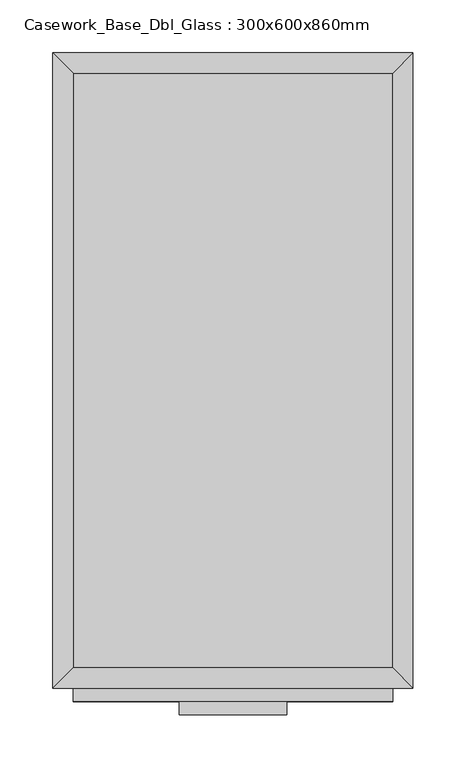
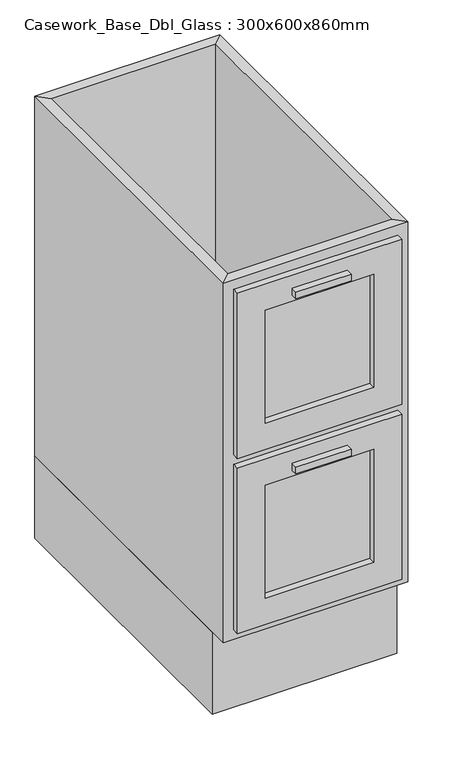
"""IFC4 building model written with IfcOpenShell, lengths in millimetres: furniture geometry, Casework_Base_Dbl_Glass : 300x600x860mm."""

import ifcopenshell
import ifcopenshell.guid

model = None  # the IFC model being written
_history = None  # IfcOwnerHistory: only IFC2X3 demands one
_inside = {}  # id of a spatial element -> (the spatial element, [elements in it])
_under = {}  # id of a project, library or spatial element -> (it, [spatial elements below it])
_declared = {}  # id of a project -> (the project, [libraries it declares])
_typed = {}  # id of a type object -> (the type object, [elements of that type])
_made_of = {}  # id of a material, layer set ... -> (it, [elements and type objects made of it])


def new_model(schema):
    """Start an empty IFC model of exactly this schema.

    Asked for "IFC4X3", IfcOpenShell would pick the latest addendum, in which some entities
    have other attributes; the version numbers below select the first issue.
    IFC2X3 requires an IfcOwnerHistory on every rooted entity: one is made here for all.
    """
    global model, _history
    if schema == "IFC4X3":
        model = ifcopenshell.file(schema_version=(4, 3, 0, 0))
    else:
        model = ifcopenshell.file(schema=schema)
    _inside.clear()
    _under.clear()
    _declared.clear()
    _typed.clear()
    _made_of.clear()
    _history = None
    if model.schema == "IFC2X3":
        org = make("IfcOrganization", Name="unknown")
        user = make(
            "IfcPersonAndOrganization",
            ThePerson=make("IfcPerson", FamilyName="unknown"),
            TheOrganization=org,
        )
        app = make(
            "IfcApplication",
            ApplicationDeveloper=org,
            Version="unknown",
            ApplicationFullName="unknown",
            ApplicationIdentifier="unknown",
        )
        _history = make(
            "IfcOwnerHistory",
            OwningUser=user,
            OwningApplication=app,
            ChangeAction="ADDED",
            CreationDate=0,
        )
    return model


def make(cls, **values):
    """One entity of the class cls with the attributes given. An attribute that is None is left unset."""
    return model.create_entity(
        cls, **{name: value for name, value in values.items() if value is not None}
    )


def rooted(cls, **values):
    """An entity with a GlobalId (a new one), such as an element, a storey or a relation."""
    return make(cls, GlobalId=ifcopenshell.guid.new(), OwnerHistory=_history, **values)


def si_unit(unit_type, name, prefix=None):
    """IfcSIUnit, for example si_unit("LENGTHUNIT", "METRE", prefix="MILLI")."""
    return make("IfcSIUnit", UnitType=unit_type, Prefix=prefix, Name=name)


def assignment(units):
    """IfcUnitAssignment: the units of a project."""
    return None if units is None else make("IfcUnitAssignment", Units=units)


def point(xyz):
    """IfcCartesianPoint."""
    return None if xyz is None else make("IfcCartesianPoint", Coordinates=xyz)


def direction(xyz):
    """IfcDirection."""
    return None if xyz is None else make("IfcDirection", DirectionRatios=xyz)


def frame(location, z_axis=None, x_axis=None):
    """IfcAxis2Placement3D, a coordinate frame: its origin and axes. An axis left out is left unset."""
    return make(
        "IfcAxis2Placement3D",
        Location=point(location),
        Axis=direction(z_axis),
        RefDirection=direction(x_axis),
    )


def origin():
    """The frame at (0, 0, 0) with its axes left unset."""
    return frame((0.0, 0.0, 0.0))


def origin_with_axes():
    """The frame at (0, 0, 0) with the z axis (0, 0, 1) and the x axis (1, 0, 0) written out."""
    return frame((0.0, 0.0, 0.0), z_axis=(0.0, 0.0, 1.0), x_axis=(1.0, 0.0, 0.0))


def place(relative_to, where):
    """IfcLocalPlacement: puts the frame where relative to a parent placement (None: the world)."""
    return make(
        "IfcLocalPlacement", PlacementRelTo=relative_to, RelativePlacement=where
    )


def context(
    kind, dimensions, precision=None, world=None, true_north=None, identifier=None
):
    """IfcGeometricRepresentationContext, for example the 3D "Model" context."""
    return make(
        "IfcGeometricRepresentationContext",
        ContextIdentifier=identifier,
        ContextType=kind,
        CoordinateSpaceDimension=dimensions,
        Precision=precision,
        WorldCoordinateSystem=world,
        TrueNorth=true_north,
    )


def project(units=None, contexts=None):
    """IfcProject with its units and contexts."""
    return rooted(
        "IfcProject",
        Name="project",
        RepresentationContexts=contexts,
        UnitsInContext=assignment(units),
    )


def spatial(cls, under=None, at=None, **own):
    """A site, building, storey or space (cls), placed at a placement, below another one or the project."""
    s = rooted(cls, ObjectPlacement=at, **own)
    if under is not None:
        _under.setdefault(under.id(), (under, []))[1].append(s)
    return s


def polyline(points):
    """IfcPolyline through the points."""
    return make("IfcPolyline", Points=[point(p) for p in points])


def outline(outer, holes=None, kind="AREA"):
    """IfcArbitraryClosedProfileDef: a profile drawn as a closed curve; with holes, ...WithVoids."""
    if holes is None:
        return make("IfcArbitraryClosedProfileDef", ProfileType=kind, OuterCurve=outer)
    return make(
        "IfcArbitraryProfileDefWithVoids",
        ProfileType=kind,
        OuterCurve=outer,
        InnerCurves=holes,
    )


def extrude(swept, where, along, depth):
    """IfcExtrudedAreaSolid: the profile swept, set in the frame where, extruded along a direction by depth."""
    return make(
        "IfcExtrudedAreaSolid",
        SweptArea=swept,
        Position=where,
        ExtrudedDirection=direction(along),
        Depth=depth,
    )


def faces_of(points, faces, orient=None, outer=None):
    """IfcFace entities. A face is a list of loops; a loop is a list of indices into points, from 0.

    orient and outer hold one flag for each loop. By default every Orientation is true, the
    first loop of a face is its IfcFaceOuterBound and the others are IfcFaceBound.
    """
    made = []
    for i, loops in enumerate(faces):
        bounds = []
        for j, loop in enumerate(loops):
            is_outer = j == 0 if outer is None else outer[i][j]
            bounds.append(
                make(
                    "IfcFaceOuterBound" if is_outer else "IfcFaceBound",
                    Bound=make("IfcPolyLoop", Polygon=[points[k] for k in loop]),
                    Orientation=True if orient is None else orient[i][j],
                )
            )
        made.append(make("IfcFace", Bounds=bounds))
    return made


def faceted_brep(points, faces, orient=None, outer=None, voids=None):
    """IfcFacetedBrep: a solid bounded by flat faces; with voids (closed shells), ...WithVoids."""
    shared = [point(p) for p in points]
    hull = make("IfcClosedShell", CfsFaces=faces_of(shared, faces, orient, outer))
    if voids is None:
        return make("IfcFacetedBrep", Outer=hull)
    return make(
        "IfcFacetedBrepWithVoids",
        Outer=hull,
        Voids=[
            make(cls, CfsFaces=faces_of(shared, fs, o, b)) for cls, fs, o, b in voids
        ],
    )


def shape(context_of_items, identifier, shape_type, items):
    """IfcShapeRepresentation: the items that make up one representation, for example the "Body"."""
    return make(
        "IfcShapeRepresentation",
        ContextOfItems=context_of_items,
        RepresentationIdentifier=identifier,
        RepresentationType=shape_type,
        Items=items,
    )


def source(mapping_origin, context_of_items, identifier, shape_type, items):
    """IfcRepresentationMap: a shape defined once, which mapped items show again and again."""
    return make(
        "IfcRepresentationMap",
        MappingOrigin=mapping_origin,
        MappedRepresentation=shape(context_of_items, identifier, shape_type, items),
    )


def transform(
    local_origin,
    x_axis=None,
    y_axis=None,
    z_axis=None,
    scale=None,
    scale2=None,
    scale3=None,
    uniform=True,
):
    """IfcCartesianTransformationOperator3D, or its non-uniform kind. x_axis, y_axis, z_axis: its Axis1, 2, 3."""
    if uniform:
        return make(
            "IfcCartesianTransformationOperator3D",
            Axis1=direction(x_axis),
            Axis2=direction(y_axis),
            LocalOrigin=point(local_origin),
            Scale=scale,
            Axis3=direction(z_axis),
        )
    return make(
        "IfcCartesianTransformationOperator3DnonUniform",
        Axis1=direction(x_axis),
        Axis2=direction(y_axis),
        LocalOrigin=point(local_origin),
        Scale=scale,
        Axis3=direction(z_axis),
        Scale2=scale2,
        Scale3=scale3,
    )


def mapped(mapping_source, mapping_target):
    """IfcMappedItem: shows the shape of a source again, moved by a transform."""
    return make(
        "IfcMappedItem", MappingSource=mapping_source, MappingTarget=mapping_target
    )


def made_of(thing, what):
    """Note that an element or type object is made of a material, layer set ...; save() writes the relation."""
    if what is not None:
        _made_of.setdefault(what.id(), (what, []))[1].append(thing)
    return thing


def element(
    cls,
    number,
    at=None,
    inside=None,
    cuts=None,
    type_object=None,
    material=None,
    context=None,
    identifier="Body",
    shape_type=None,
    held_by="IfcProductDefinitionShape",
    body=None,
    shapes=None,
    **own,
):
    """One element of the class cls, such as IfcWall. Its Tag is "e" and its number.

    at: its placement. inside: the storey or other place that contains it. cuts: it is an
    opening in that element (IfcRelVoidsElement). A single representation is given by context,
    identifier, shape_type and body (its items); several are given by shapes. held_by: the class
    of the entity that holds the representations. save() writes the other relations.
    """
    e = rooted(cls, Tag="e%d" % number, ObjectPlacement=at, **own)
    if body is not None:
        shapes = [shape(context, identifier, shape_type, body)]
    if shapes is not None:
        e.Representation = make(held_by, Representations=shapes)
    if inside is not None:
        _inside.setdefault(inside.id(), (inside, []))[1].append(e)
    if cuts is not None:
        rooted(
            "IfcRelVoidsElement", RelatingBuildingElement=cuts, RelatedOpeningElement=e
        )
    if type_object is not None:
        _typed.setdefault(type_object.id(), (type_object, []))[1].append(e)
    return made_of(e, material)


def aggregate(whole, parts):
    """IfcRelAggregates: a whole, such as a stair, and the parts it consists of."""
    return rooted("IfcRelAggregates", RelatingObject=whole, RelatedObjects=parts)


def save(model, path):
    """Write the relations noted so far, then the file.

    IfcRelAggregates (storeys below a building ...), IfcRelContainedInSpatialStructure (elements
    in a storey), IfcRelDefinesByType, IfcRelAssociatesMaterial and IfcRelDeclares: one each for
    every whole, place, type object, material and project.
    """
    for whole, parts in _under.values():
        aggregate(whole, parts)
    for where, things in _inside.values():
        rooted(
            "IfcRelContainedInSpatialStructure",
            RelatedElements=things,
            RelatingStructure=where,
        )
    for kind, things in _typed.values():
        rooted("IfcRelDefinesByType", RelatedObjects=things, RelatingType=kind)
    for what, things in _made_of.values():
        rooted("IfcRelAssociatesMaterial", RelatedObjects=things, RelatingMaterial=what)
    for by, libraries in _declared.values():
        rooted("IfcRelDeclares", RelatingContext=by, RelatedDefinitions=libraries)
    model.write(path)


def casework_base_dbl_glass_300x600x860mm_a60eac08(model_context):
    return source(origin(), model_context, "Body", "SolidModel", [
        extrude(outline(polyline([(69.5377049, -625.4), (-32.0622951, -625.4), (-32.0622951, -612.7), (69.5377049, -612.7), (69.5377049, -625.4)])), frame((0.0, 0.0, 802.85), z_axis=(0.0, 0.0, 1.0), x_axis=(1.0, 0.0, 0.0)), (0.0, 0.0, 1.0), 12.7),
        extrude(outline(polyline([(69.5377049, -625.4), (-32.0622951, -625.4), (-32.0622951, -612.7), (69.5377049, -612.7), (69.5377049, -625.4)])), frame((0.0, 0.0, 462.375), z_axis=(0.0, 0.0, 1.0), x_axis=(1.0, 0.0, 0.0)), (0.0, 0.0, 1.0), 12.7),
        extrude(outline(polyline([(840.95, 169.6877049), (840.95, -132.2122951), (519.525, -132.2122951), (519.525, 169.6877049), (840.95, 169.6877049)]), holes=[polyline([(790.15, 118.8877049), (570.325, 118.8877049), (570.325, -81.4122951), (790.15, -81.4122951), (790.15, 118.8877049)])]), frame((0.0, -612.7, 0.0), z_axis=(0.0, 1.0, 0.0), x_axis=(0.0, 0.0, 1.0)), (0.0, 0.0, 1.0), 12.7),
        extrude(outline(polyline([(500.475, 169.6877049), (500.475, -132.2122951), (179.05, -132.2122951), (179.05, 169.6877049), (500.475, 169.6877049)]), holes=[polyline([(449.675, 118.8877049), (229.85, 118.8877049), (229.85, -81.4122951), (449.675, -81.4122951), (449.675, 118.8877049)])]), frame((0.0, -612.7, 0.0), z_axis=(0.0, 1.0, 0.0), x_axis=(0.0, 0.0, 1.0)), (0.0, 0.0, 1.0), 12.7),
        extrude(outline(polyline([(118.8877049, -600.0), (-81.4122951, -600.0), (-81.4122951, -580.95), (118.8877049, -580.95), (118.8877049, -600.0)])), frame((0.0, 0.0, 570.325), z_axis=(0.0, 0.0, 1.0), x_axis=(1.0, 0.0, 0.0)), (0.0, 0.0, 1.0), 219.825),
        extrude(outline(polyline([(118.8877049, -600.0), (-81.4122951, -600.0), (-81.4122951, -580.95), (118.8877049, -580.95), (118.8877049, -600.0)])), frame((0.0, 0.0, 229.85), z_axis=(0.0, 0.0, 1.0), x_axis=(1.0, 0.0, 0.0)), (0.0, 0.0, 1.0), 219.825),
        extrude(outline(polyline([(169.6877049, -19.05), (169.6877049, -580.95), (-132.2122951, -580.95), (-132.2122951, -19.05), (169.6877049, -19.05)])), frame((0.0, 0.0, 160.0), z_axis=(0.0, 0.0, 1.0), x_axis=(1.0, 0.0, 0.0)), (0.0, 0.0, 1.0), 19.05),
        faceted_brep([(169.6877049, -580.95, 860.0), (169.6877049, -580.95, 160.0), (-132.2122951, -580.95, 160.0), (-132.2122951, -580.95, 860.0), (118.8877049, -580.95, 570.325), (118.8877049, -580.95, 790.15), (-81.4122951, -580.95, 790.15), (-81.4122951, -580.95, 570.325), (118.8877049, -580.95, 229.85), (118.8877049, -580.95, 449.675), (-81.4122951, -580.95, 449.675), (-81.4122951, -580.95, 229.85), (-151.2622951, -600.0, 860.0), (188.7377049, -600.0, 860.0), (-151.2622951, -600.0, 160.0), (188.7377049, -600.0, 160.0), (118.8877049, -600.0, 790.15), (118.8877049, -600.0, 570.325), (-81.4122951, -600.0, 570.325), (-81.4122951, -600.0, 790.15), (118.8877049, -600.0, 449.675), (118.8877049, -600.0, 229.85), (-81.4122951, -600.0, 229.85), (-81.4122951, -600.0, 449.675), (-132.2122951, -19.05, 160.0), (-132.2122951, -19.05, 860.0), (-151.2622951, 0.0, 860.0), (-151.2622951, 0.0, 160.0), (169.6877049, -19.05, 160.0), (169.6877049, -19.05, 860.0), (188.7377049, 0.0, 860.0), (188.7377049, 0.0, 160.0)], [[[0, 1, 2, 3], [4, 5, 6, 7], [8, 9, 10, 11]], [[0, 3, 12, 13]], [[13, 12, 14, 15], [16, 17, 18, 19], [20, 21, 22, 23]], [[2, 1, 15, 14]], [[3, 2, 24, 25]], [[12, 3, 25, 26]], [[14, 12, 26, 27]], [[2, 14, 27, 24]], [[25, 24, 28, 29]], [[26, 25, 29, 30]], [[27, 26, 30, 31]], [[24, 27, 31, 28]], [[1, 0, 29, 28]], [[0, 13, 30, 29]], [[13, 15, 31, 30]], [[15, 1, 28, 31]], [[4, 17, 16, 5]], [[17, 4, 7, 18]], [[18, 7, 6, 19]], [[5, 16, 19, 6]], [[8, 21, 20, 9]], [[21, 8, 11, 22]], [[22, 11, 10, 23]], [[9, 20, 23, 10]]]),
        extrude(outline(polyline([(188.7377049, 0.0), (188.7377049, -565.0), (-151.2622951, -565.0), (-151.2622951, 0.0), (188.7377049, 0.0)])), origin_with_axes(), (0.0, 0.0, 1.0), 160.0),
    ])


if __name__ == "__main__":
    model = new_model("IFC4")
    model_context = context("Model", 3, world=origin())
    ifc_project = project(units=[si_unit("LENGTHUNIT", "METRE", prefix="MILLI")], contexts=[model_context])
    site = spatial("IfcSite", under=ifc_project)
    building = spatial("IfcBuilding", under=site)
    placement = place(None, origin())
    casework_base_dbl_glass_300x600x860mm_shape = casework_base_dbl_glass_300x600x860mm_a60eac08(model_context)
    element("IfcFurniture", 1, ObjectType="Casework_Base_Dbl_Glass : 300x600x860mm", at=placement, inside=building, context=model_context, shape_type="MappedRepresentation", body=[
        mapped(casework_base_dbl_glass_300x600x860mm_shape, transform((0.0, 0.0, 0.0), x_axis=(1.0, 0.0, 0.0), y_axis=(0.0, 1.0, 0.0), z_axis=(0.0, 0.0, 1.0))),
    ])
    save(model, "model.ifc")
